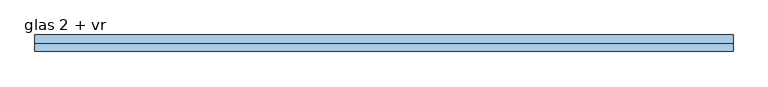
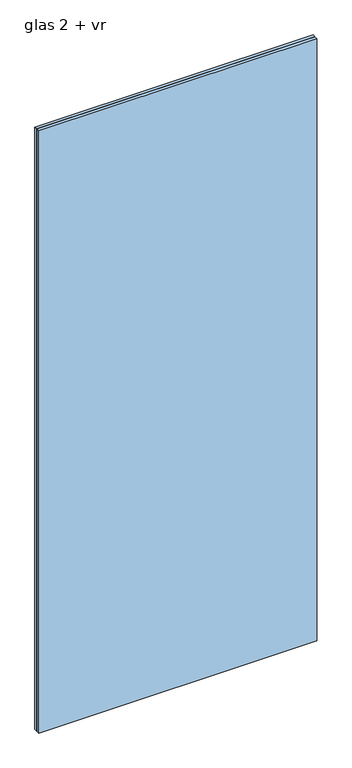
"""IFC4 building model written with IfcOpenShell, lengths in millimetres: window geometry, glas 2 + vr."""

from ifc_helpers import new_model, si_unit, origin, origin_with_axes, place, context, project, spatial, polyline, outline, extrude, source, transform, mapped, element, save


def glas_2_vr_c56a6726(model_context):
    return source(origin(), model_context, "Body", "SweptSolid", [
        extrude(outline(polyline([(-506.5, 12.0), (506.5, 12.0), (506.5, 0.0), (-506.5, 0.0), (-506.5, 12.0)])), origin_with_axes(), (0.0, 0.0, 1.0), 2319.5),
        extrude(outline(polyline([(-506.5, 0.0), (506.5, 0.0), (506.5, -12.0), (-506.5, -12.0), (-506.5, 0.0)])), origin_with_axes(), (0.0, 0.0, 1.0), 2319.5),
    ])


if __name__ == "__main__":
    model = new_model("IFC4")
    model_context = context("Model", 3, world=origin())
    ifc_project = project(units=[si_unit("LENGTHUNIT", "METRE", prefix="MILLI")], contexts=[model_context])
    site = spatial("IfcSite", under=ifc_project)
    building = spatial("IfcBuilding", under=site)
    placement = place(None, origin())
    glas_2_vr_shape = glas_2_vr_c56a6726(model_context)
    element("IfcWindow", 1, ObjectType="glas 2 + vr", at=placement, inside=building, context=model_context, shape_type="MappedRepresentation", body=[
        mapped(glas_2_vr_shape, transform((0.0, 0.0, 0.0), x_axis=(1.0, 0.0, 0.0), y_axis=(0.0, 1.0, 0.0), z_axis=(0.0, 0.0, 1.0))),
    ])
    save(model, "model.ifc")
